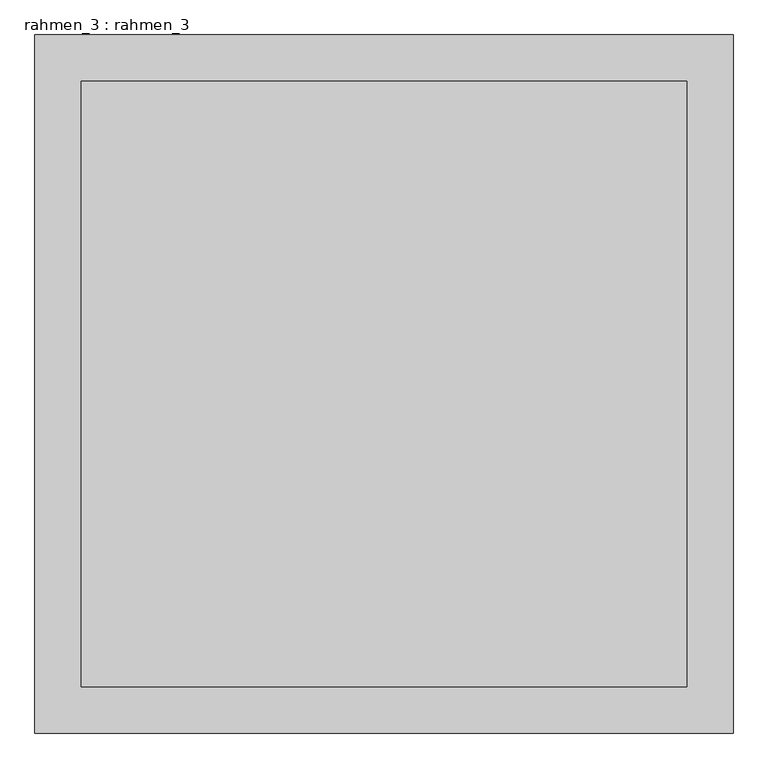
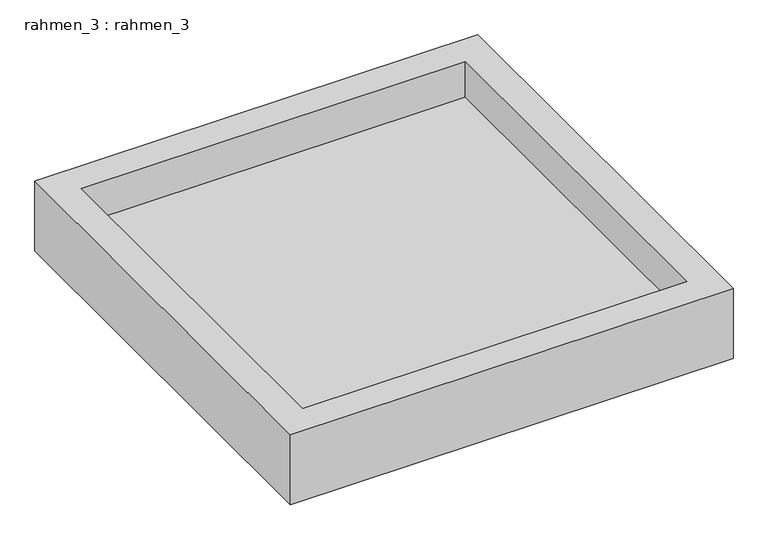
"""IFC4 building model written with IfcOpenShell, lengths in millimetres: proxy geometry, rahmen_3 : rahmen_3."""

from ifc_helpers import new_model, si_unit, origin, place, context, project, spatial, faceted_brep, source, transform, mapped, element, save


def rahmen_3_rahmen_3_14506048(model_context):
    return source(origin(), model_context, "Body", "Brep", [
        faceted_brep([(9000.0, 2500.0, 250.0), (7500.0, 2500.0, 250.0), (7500.0, 1000.0, 250.0), (9000.0, 1000.0, 250.0), (7600.0, 2400.0, 250.0), (8900.0, 2400.0, 250.0), (8900.0, 1100.0, 250.0), (7600.0, 1100.0, 250.0), (9000.0, 2500.0, 0.0), (9000.0, 1000.0, 0.0), (7500.0, 1000.0, 0.0), (7500.0, 2500.0, 0.0), (7600.0, 2400.0, 122.390404), (8900.0, 2400.0, 122.390404), (7600.0, 1100.0, 122.390404), (8900.0, 1100.0, 122.390404)], [[[0, 1, 2, 3], [4, 5, 6, 7]], [[8, 9, 10, 11]], [[1, 0, 8, 11]], [[2, 1, 11, 10]], [[3, 2, 10, 9]], [[0, 3, 9, 8]], [[12, 13, 5, 4]], [[14, 12, 4, 7]], [[15, 14, 7, 6]], [[13, 15, 6, 5]], [[13, 12, 14, 15]]]),
    ])


if __name__ == "__main__":
    model = new_model("IFC4")
    model_context = context("Model", 3, world=origin())
    ifc_project = project(units=[si_unit("LENGTHUNIT", "METRE", prefix="MILLI")], contexts=[model_context])
    site = spatial("IfcSite", under=ifc_project)
    building = spatial("IfcBuilding", under=site)
    placement = place(None, origin())
    rahmen_3_rahmen_3_shape = rahmen_3_rahmen_3_14506048(model_context)
    element("IfcBuildingElementProxy", 1, Name="rahmen_3 : rahmen_3", ObjectType="rahmen_3 : rahmen_3", at=placement, inside=building, context=model_context, shape_type="MappedRepresentation", body=[
        mapped(rahmen_3_rahmen_3_shape, transform((0.0, 0.0, 0.0), x_axis=(1.0, 0.0, 0.0), y_axis=(0.0, 1.0, 0.0), z_axis=(0.0, 0.0, 1.0))),
    ])
    save(model, "model.ifc")
